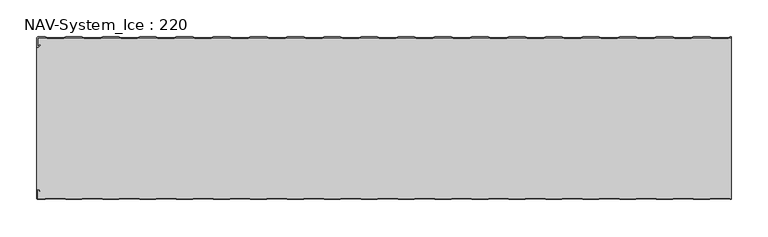
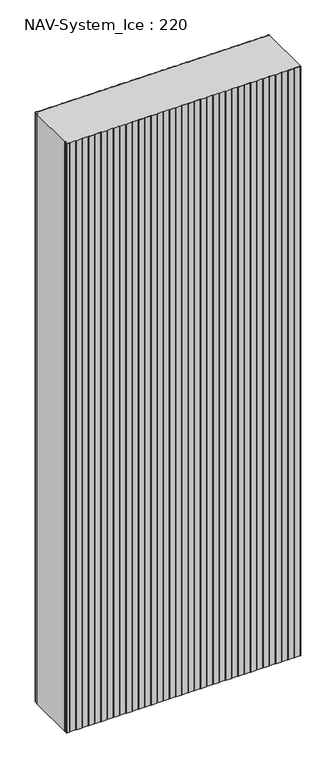
"""IFC4 building model written with IfcOpenShell, lengths in millimetres: plate geometry, NAV-System_Ice : 220."""

from ifc_helpers import new_model, si_unit, point, frame_2d, origin, origin_with_axes, place, context, project, spatial, polyline, circle_curve, trimmed, segment, composite_curve, outline, extrude, source, transform, mapped, element, save


def nav_system_ice_220_86c08645(model_context):
    return source(origin(), model_context, "Body", "SweptSolid", [
        extrude(outline(composite_curve([segment(polyline([(469.1298221, -0.8), (466.1298221, -1.8), (443.8701779, -1.8), (440.8701779, -0.8), (419.1298221, -0.8), (416.1298221, -1.8), (393.8701779, -1.8), (390.8701779, -0.8), (369.1298221, -0.8), (366.1298221, -1.8), (343.8701779, -1.8), (340.8701779, -0.8), (319.1298221, -0.8), (316.1298221, -1.8), (293.8701779, -1.8), (290.8701779, -0.8), (269.1298221, -0.8), (266.1298221, -1.8), (243.8701779, -1.8), (240.8701779, -0.8), (219.1298221, -0.8), (216.1298221, -1.8), (193.8701779, -1.8), (190.8701779, -0.8), (169.1298221, -0.8), (166.1298221, -1.8), (143.8701779, -1.8), (140.8701779, -0.8), (119.1298221, -0.8), (116.1298221, -1.8), (93.8701779, -1.8), (90.8701779, -0.8), (69.1298221, -0.8), (66.1298221, -1.8), (43.8701779, -1.8), (40.8701779, -0.8), (19.1298221, -0.8), (16.1298221, -1.8), (-6.1298221, -1.8), (-9.1298221, -0.8), (-30.8701779, -0.8), (-33.8701779, -1.8), (-56.1298221, -1.8), (-59.1298221, -0.8), (-80.8701779, -0.8), (-83.8701779, -1.8), (-106.1298221, -1.8), (-109.1298221, -0.8), (-130.8701779, -0.8), (-133.8701779, -1.8), (-156.1298221, -1.8), (-159.1298221, -0.8), (-180.8701779, -0.8), (-183.8701779, -1.8), (-206.1298221, -1.8), (-209.1298221, -0.8), (-230.8701779, -0.8), (-233.8701779, -1.8), (-256.1298221, -1.8), (-259.1298221, -0.8), (-280.8701779, -0.8), (-283.8701779, -1.8), (-306.1298221, -1.8), (-309.1298221, -0.8), (-330.8701779, -0.8), (-333.8701779, -1.8), (-356.1298221, -1.8), (-359.1298221, -0.8), (-380.8701779, -0.8), (-383.8701779, -1.8), (-406.1298221, -1.8), (-409.1298221, -0.8), (-430.8701779, -0.8), (-433.8701779, -1.8), (-456.1298221, -1.8), (-459.1298221, -0.8), (-468.7, -0.8)]), True, "CONTINUOUS"), segment(trimmed(circle_curve(frame_2d((-468.7, -1.3)), 0.5), [point((-468.7, -0.8))], [point((-469.2, -1.3))], True, "CARTESIAN"), True, "CONTINUOUS"), segment(polyline([(-469.2, -1.3), (-469.2, -12.5857864)]), True, "CONTINUOUS"), segment(trimmed(circle_curve(frame_2d((-468.7, -12.5857864)), 0.5), [point((-469.2, -12.5857864))], [point((-468.3464466, -12.9393398))], True, "CARTESIAN"), True, "CONTINUOUS"), segment(polyline([(-468.3464466, -12.9393398), (-465.9205321, -10.5134253), (-465.3548467, -11.0791108), (-467.7807612, -13.5050253)]), True, "CONTINUOUS"), segment(trimmed(circle_curve(frame_2d((-468.7, -12.5857864)), 1.3), [point((-467.7807612, -13.5050253))], [point((-470.0, -12.5857864))], False, "CARTESIAN"), True, "CONTINUOUS"), segment(polyline([(-470.0, -12.5857864), (-470.0, -1.3)]), True, "CONTINUOUS"), segment(trimmed(circle_curve(frame_2d((-468.7, -1.3)), 1.3), [point((-470.0, -1.3))], [point((-468.7, 0.0))], False, "CARTESIAN"), True, "CONTINUOUS"), segment(polyline([(-468.7, 0.0), (-459.0, 0.0), (-456.0, -1.0), (-434.0, -1.0), (-431.0, 0.0), (-409.0, 0.0), (-406.0, -1.0), (-384.0, -1.0), (-381.0, 0.0), (-359.0, 0.0), (-356.0, -1.0), (-334.0, -1.0), (-331.0, 0.0), (-309.0, 0.0), (-306.0, -1.0), (-284.0, -1.0), (-281.0, 0.0), (-259.0, 0.0), (-256.0, -1.0), (-234.0, -1.0), (-231.0, 0.0), (-209.0, 0.0), (-206.0, -1.0), (-184.0, -1.0), (-181.0, 0.0), (-159.0, 0.0), (-156.0, -1.0), (-134.0, -1.0), (-131.0, 0.0), (-109.0, 0.0), (-106.0, -1.0), (-84.0, -1.0), (-81.0, 0.0), (-59.0, 0.0), (-56.0, -1.0), (-34.0, -1.0), (-31.0, 0.0), (-9.0, 0.0), (-6.0, -1.0), (16.0, -1.0), (19.0, 0.0), (41.0, 0.0), (44.0, -1.0), (66.0, -1.0), (69.0, 0.0), (91.0, 0.0), (94.0, -1.0), (116.0, -1.0), (119.0, 0.0), (141.0, 0.0), (144.0, -1.0), (166.0, -1.0), (169.0, 0.0), (191.0, 0.0), (194.0, -1.0), (216.0, -1.0), (219.0, 0.0), (241.0, 0.0), (244.0, -1.0), (266.0, -1.0), (269.0, 0.0), (291.0, 0.0), (294.0, -1.0), (316.0, -1.0), (319.0, 0.0), (341.0, 0.0), (344.0, -1.0), (366.0, -1.0), (369.0, 0.0), (391.0, 0.0), (394.0, -1.0), (416.0, -1.0), (419.0, 0.0), (441.0, 0.0), (444.0, -1.0), (466.0, -1.0), (469.0, 0.0), (470.0, 0.0), (470.0, -0.8), (469.1298221, -0.8)]), True, "CONTINUOUS")], self_intersect=False)), origin_with_axes(), (0.0, 0.0, 1.0), 2500.0),
        extrude(outline(composite_curve([segment(polyline([(469.1298221, -219.2), (466.1298221, -218.2), (443.8701779, -218.2), (440.8701779, -219.2), (419.1298221, -219.2), (416.1298221, -218.2), (393.8701779, -218.2), (390.8701779, -219.2), (369.1298221, -219.2), (366.1298221, -218.2), (343.8701779, -218.2), (340.8701779, -219.2), (319.1298221, -219.2), (316.1298221, -218.2), (293.8701779, -218.2), (290.8701779, -219.2), (269.1298221, -219.2), (266.1298221, -218.2), (243.8701779, -218.2), (240.8701779, -219.2), (219.1298221, -219.2), (216.1298221, -218.2), (193.8701779, -218.2), (190.8701779, -219.2), (169.1298221, -219.2), (166.1298221, -218.2), (143.8701779, -218.2), (140.8701779, -219.2), (119.1298221, -219.2), (116.1298221, -218.2), (93.8701779, -218.2), (90.8701779, -219.2), (69.1298221, -219.2), (66.1298221, -218.2), (43.8701779, -218.2), (40.8701779, -219.2), (19.1298221, -219.2), (16.1298221, -218.2), (-6.1298221, -218.2), (-9.1298221, -219.2), (-30.8701779, -219.2), (-33.8701779, -218.2), (-56.1298221, -218.2), (-59.1298221, -219.2), (-80.8701779, -219.2), (-83.8701779, -218.2), (-106.1298221, -218.2), (-109.1298221, -219.2), (-130.8701779, -219.2), (-133.8701779, -218.2), (-156.1298221, -218.2), (-159.1298221, -219.2), (-180.8701779, -219.2), (-183.8701779, -218.2), (-206.1298221, -218.2), (-209.1298221, -219.2), (-230.8701779, -219.2), (-233.8701779, -218.2), (-256.1298221, -218.2), (-259.1298221, -219.2), (-280.8701779, -219.2), (-283.8701779, -218.2), (-306.1298221, -218.2), (-309.1298221, -219.2), (-330.8701779, -219.2), (-333.8701779, -218.2), (-356.1298221, -218.2), (-359.1298221, -219.2), (-380.8701779, -219.2), (-383.8701779, -218.2), (-406.1298221, -218.2), (-409.1298221, -219.2), (-430.8701779, -219.2), (-433.8701779, -218.2), (-456.1298221, -218.2), (-459.1298221, -219.2), (-468.7, -219.2)]), True, "CONTINUOUS"), segment(trimmed(circle_curve(frame_2d((-468.7, -218.7)), 0.5), [point((-468.7, -219.2))], [point((-469.2, -218.7))], False, "CARTESIAN"), True, "CONTINUOUS"), segment(polyline([(-469.2, -218.7), (-469.2, -207.4142136)]), True, "CONTINUOUS"), segment(trimmed(circle_curve(frame_2d((-468.7, -207.4142136)), 0.5), [point((-469.2, -207.4142136))], [point((-468.3464466, -207.0606602))], False, "CARTESIAN"), True, "CONTINUOUS"), segment(polyline([(-468.3464466, -207.0606602), (-465.9205321, -209.4865747), (-465.3548467, -208.9208892), (-467.7807612, -206.4949747)]), True, "CONTINUOUS"), segment(trimmed(circle_curve(frame_2d((-468.7, -207.4142136)), 1.3), [point((-467.7807612, -206.4949747))], [point((-468.7, -206.1142136))], True, "CARTESIAN"), True, "CONTINUOUS"), segment(polyline([(-468.7, -206.1142136), (-470.0, -206.1142136), (-470.0, -13.8857864), (-468.7, -13.8857864)]), True, "CONTINUOUS"), segment(trimmed(circle_curve(frame_2d((-468.7, -12.5857864)), 1.3), [point((-468.7, -13.8857864))], [point((-467.7807612, -13.5050253))], True, "CARTESIAN"), True, "CONTINUOUS"), segment(polyline([(-467.7807612, -13.5050253), (-465.3548467, -11.0791108), (-465.9205321, -10.5134253), (-468.3464466, -12.9393398)]), True, "CONTINUOUS"), segment(trimmed(circle_curve(frame_2d((-468.7, -12.5857864)), 0.5), [point((-468.3464466, -12.9393398))], [point((-469.2, -12.5857864))], False, "CARTESIAN"), True, "CONTINUOUS"), segment(polyline([(-469.2, -12.5857864), (-469.2, -1.3)]), True, "CONTINUOUS"), segment(trimmed(circle_curve(frame_2d((-468.7, -1.3)), 0.5), [point((-469.2, -1.3))], [point((-468.7, -0.8))], False, "CARTESIAN"), True, "CONTINUOUS"), segment(polyline([(-468.7, -0.8), (-459.1298221, -0.8), (-456.1298221, -1.8), (-433.8701779, -1.8), (-430.8701779, -0.8), (-409.1298221, -0.8), (-406.1298221, -1.8), (-383.8701779, -1.8), (-380.8701779, -0.8), (-359.1298221, -0.8), (-356.1298221, -1.8), (-333.8701779, -1.8), (-330.8701779, -0.8), (-309.1298221, -0.8), (-306.1298221, -1.8), (-283.8701779, -1.8), (-280.8701779, -0.8), (-259.1298221, -0.8), (-256.1298221, -1.8), (-233.8701779, -1.8), (-230.8701779, -0.8), (-209.1298221, -0.8), (-206.1298221, -1.8), (-183.8701779, -1.8), (-180.8701779, -0.8), (-159.1298221, -0.8), (-156.1298221, -1.8), (-133.8701779, -1.8), (-130.8701779, -0.8), (-109.1298221, -0.8), (-106.1298221, -1.8), (-83.8701779, -1.8), (-80.8701779, -0.8), (-59.1298221, -0.8), (-56.1298221, -1.8), (-33.8701779, -1.8), (-30.8701779, -0.8), (-9.1298221, -0.8), (-6.1298221, -1.8), (16.1298221, -1.8), (19.1298221, -0.8), (40.8701779, -0.8), (43.8701779, -1.8), (66.1298221, -1.8), (69.1298221, -0.8), (90.8701779, -0.8), (93.8701779, -1.8), (116.1298221, -1.8), (119.1298221, -0.8), (140.8701779, -0.8), (143.8701779, -1.8), (166.1298221, -1.8), (169.1298221, -0.8), (190.8701779, -0.8), (193.8701779, -1.8), (216.1298221, -1.8), (219.1298221, -0.8), (240.8701779, -0.8), (243.8701779, -1.8), (266.1298221, -1.8), (269.1298221, -0.8), (290.8701779, -0.8), (293.8701779, -1.8), (316.1298221, -1.8), (319.1298221, -0.8), (340.8701779, -0.8), (343.8701779, -1.8), (366.1298221, -1.8), (369.1298221, -0.8), (390.8701779, -0.8), (393.8701779, -1.8), (416.1298221, -1.8), (419.1298221, -0.8), (440.8701779, -0.8), (443.8701779, -1.8), (466.1298221, -1.8), (469.1298221, -0.8), (470.0, -0.8), (470.0, -219.2), (469.1298221, -219.2)]), True, "CONTINUOUS")], self_intersect=False)), origin_with_axes(), (0.0, 0.0, 1.0), 2500.0),
        extrude(outline(composite_curve([segment(polyline([(469.0, -220.0), (466.0, -219.0), (444.0, -219.0), (441.0, -220.0), (419.0, -220.0), (416.0, -219.0), (394.0, -219.0), (391.0, -220.0), (369.0, -220.0), (366.0, -219.0), (344.0, -219.0), (341.0, -220.0), (319.0, -220.0), (316.0, -219.0), (294.0, -219.0), (291.0, -220.0), (269.0, -220.0), (266.0, -219.0), (244.0, -219.0), (241.0, -220.0), (219.0, -220.0), (216.0, -219.0), (194.0, -219.0), (191.0, -220.0), (169.0, -220.0), (166.0, -219.0), (144.0, -219.0), (141.0, -220.0), (119.0, -220.0), (116.0, -219.0), (94.0, -219.0), (91.0, -220.0), (69.0, -220.0), (66.0, -219.0), (44.0, -219.0), (41.0, -220.0), (19.0, -220.0), (16.0, -219.0), (-6.0, -219.0), (-9.0, -220.0), (-31.0, -220.0), (-34.0, -219.0), (-56.0, -219.0), (-59.0, -220.0), (-81.0, -220.0), (-84.0, -219.0), (-106.0, -219.0), (-109.0, -220.0), (-131.0, -220.0), (-134.0, -219.0), (-156.0, -219.0), (-159.0, -220.0), (-181.0, -220.0), (-184.0, -219.0), (-206.0, -219.0), (-209.0, -220.0), (-231.0, -220.0), (-234.0, -219.0), (-256.0, -219.0), (-259.0, -220.0), (-281.0, -220.0), (-284.0, -219.0), (-306.0, -219.0), (-309.0, -220.0), (-331.0, -220.0), (-334.0, -219.0), (-356.0, -219.0), (-359.0, -220.0), (-381.0, -220.0), (-384.0, -219.0), (-406.0, -219.0), (-409.0, -220.0), (-431.0, -220.0), (-434.0, -219.0), (-456.0, -219.0), (-459.0, -220.0), (-468.7, -220.0)]), True, "CONTINUOUS"), segment(trimmed(circle_curve(frame_2d((-468.7, -218.7)), 1.3), [point((-468.7, -220.0))], [point((-470.0, -218.7))], False, "CARTESIAN"), True, "CONTINUOUS"), segment(polyline([(-470.0, -218.7), (-470.0, -207.4142136)]), True, "CONTINUOUS"), segment(trimmed(circle_curve(frame_2d((-468.7, -207.4142136)), 1.3), [point((-470.0, -207.4142136))], [point((-467.7807612, -206.4949747))], False, "CARTESIAN"), True, "CONTINUOUS"), segment(polyline([(-467.7807612, -206.4949747), (-465.3548467, -208.9208892), (-465.9205321, -209.4865747), (-468.3464466, -207.0606602)]), True, "CONTINUOUS"), segment(trimmed(circle_curve(frame_2d((-468.7, -207.4142136)), 0.5), [point((-468.3464466, -207.0606602))], [point((-469.2, -207.4142136))], True, "CARTESIAN"), True, "CONTINUOUS"), segment(polyline([(-469.2, -207.4142136), (-469.2, -218.7)]), True, "CONTINUOUS"), segment(trimmed(circle_curve(frame_2d((-468.7, -218.7)), 0.5), [point((-469.2, -218.7))], [point((-468.7, -219.2))], True, "CARTESIAN"), True, "CONTINUOUS"), segment(polyline([(-468.7, -219.2), (-459.1298221, -219.2), (-456.1298221, -218.2), (-433.8701779, -218.2), (-430.8701779, -219.2), (-409.1298221, -219.2), (-406.1298221, -218.2), (-383.8701779, -218.2), (-380.8701779, -219.2), (-359.1298221, -219.2), (-356.1298221, -218.2), (-333.8701779, -218.2), (-330.8701779, -219.2), (-309.1298221, -219.2), (-306.1298221, -218.2), (-283.8701779, -218.2), (-280.8701779, -219.2), (-259.1298221, -219.2), (-256.1298221, -218.2), (-233.8701779, -218.2), (-230.8701779, -219.2), (-209.1298221, -219.2), (-206.1298221, -218.2), (-183.8701779, -218.2), (-180.8701779, -219.2), (-159.1298221, -219.2), (-156.1298221, -218.2), (-133.8701779, -218.2), (-130.8701779, -219.2), (-109.1298221, -219.2), (-106.1298221, -218.2), (-83.8701779, -218.2), (-80.8701779, -219.2), (-59.1298221, -219.2), (-56.1298221, -218.2), (-33.8701779, -218.2), (-30.8701779, -219.2), (-9.1298221, -219.2), (-6.1298221, -218.2), (16.1298221, -218.2), (19.1298221, -219.2), (40.8701779, -219.2), (43.8701779, -218.2), (66.1298221, -218.2), (69.1298221, -219.2), (90.8701779, -219.2), (93.8701779, -218.2), (116.1298221, -218.2), (119.1298221, -219.2), (140.8701779, -219.2), (143.8701779, -218.2), (166.1298221, -218.2), (169.1298221, -219.2), (190.8701779, -219.2), (193.8701779, -218.2), (216.1298221, -218.2), (219.1298221, -219.2), (240.8701779, -219.2), (243.8701779, -218.2), (266.1298221, -218.2), (269.1298221, -219.2), (290.8701779, -219.2), (293.8701779, -218.2), (316.1298221, -218.2), (319.1298221, -219.2), (340.8701779, -219.2), (343.8701779, -218.2), (366.1298221, -218.2), (369.1298221, -219.2), (390.8701779, -219.2), (393.8701779, -218.2), (416.1298221, -218.2), (419.1298221, -219.2), (440.8701779, -219.2), (443.8701779, -218.2), (466.1298221, -218.2), (469.1298221, -219.2), (470.0, -219.2), (470.0, -220.0), (469.0, -220.0)]), True, "CONTINUOUS")], self_intersect=False)), origin_with_axes(), (0.0, 0.0, 1.0), 2500.0),
    ])


if __name__ == "__main__":
    model = new_model("IFC4")
    model_context = context("Model", 3, world=origin())
    ifc_project = project(units=[si_unit("LENGTHUNIT", "METRE", prefix="MILLI")], contexts=[model_context])
    site = spatial("IfcSite", under=ifc_project)
    building = spatial("IfcBuilding", under=site)
    placement = place(None, origin())
    nav_system_ice_220_shape = nav_system_ice_220_86c08645(model_context)
    element("IfcPlate", 1, ObjectType="NAV-System_Ice : 220", at=placement, inside=building, context=model_context, shape_type="MappedRepresentation", body=[
        mapped(nav_system_ice_220_shape, transform((0.0, 0.0, 0.0), x_axis=(1.0, 0.0, 0.0), y_axis=(0.0, 1.0, 0.0), z_axis=(0.0, 0.0, 1.0))),
    ])
    save(model, "model.ifc")
